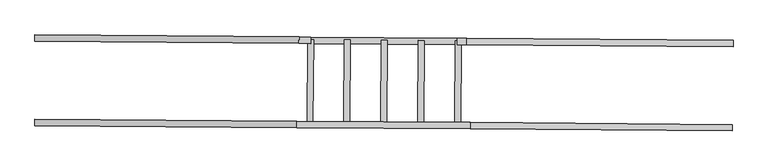
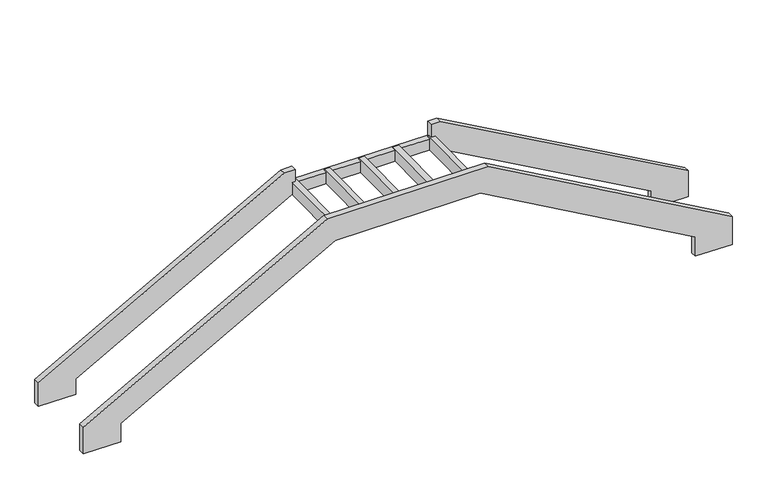
"""IFC4 building model written with IfcOpenShell, lengths in millimetres: stair geometry."""

from ifc_helpers import new_model, si_unit, origin, place, context, project, spatial, faceted_brep, source, transform, mapped, element, save


def stair_6308c3d4(model_context):
    return source(origin(), model_context, "Body", "Brep", [
        faceted_brep([(69623.2479091, 100501.2950134, -2216.2897676), (73192.6319807, 100473.2438883, -211.1765302), (75609.7724936, 100454.2480308, -211.1765302), (79189.3794997, 100426.1165655, -2220.8199379), (79189.3794997, 100426.1165655, -2563.2639797), (79801.9308639, 100421.3026383, -2563.2639797), (79801.9308639, 100421.3026383, -2068.7780833), (75745.1385671, 100453.184214, 208.7640832), (73060.9467117, 100474.2787783, 208.7640832), (69003.6463538, 100506.1643468, -2070.4377322), (69003.6463538, 100506.1643468, -2544.9395685), (69623.2479091, 100501.2950134, -2544.9395685), (69624.0353072, 100601.4880158, -2216.2897676), (69624.0353072, 100601.4880158, -2544.9395685), (69004.4337519, 100606.3573491, -2544.9395685), (69004.4337519, 100606.3573491, -2070.4377322), (73061.7341098, 100574.4717806, 208.7640832), (75745.9259653, 100553.3772164, 208.7640832), (79802.7182621, 100521.4956406, -2068.7780833), (79802.7182621, 100521.4956406, -2563.2639797), (79190.1668978, 100526.3095678, -2563.2639797), (79190.1668978, 100526.3095678, -2220.8199379), (75610.5598917, 100554.4410331, -211.1765302), (73193.4193789, 100573.4368906, -211.1765302), (73222.0208215, 100573.2121172, -203.9867204), (73310.5449571, 100572.5164225, -203.9867204), (73310.5449571, 100572.5164225, 10.875), (73222.0208215, 100573.2121172, 10.875), (73785.204211, 100568.7861637, -203.9867204), (73880.1742215, 100568.0398121, -203.9867204), (73880.1742215, 100568.0398121, 10.875), (73785.204211, 100568.7861637, 10.875), (74356.9648375, 100564.2928034, -203.9867204), (74451.934848, 100563.5464517, -203.9867204), (74451.934848, 100563.5464517, 10.875), (74356.9648375, 100564.2928034, 10.875), (74930.0032145, 100559.7894014, -203.9867204), (75024.973225, 100559.0430498, -203.9867204), (75024.973225, 100559.0430498, 10.875), (74930.0032145, 100559.7894014, 10.875), (75505.65266, 100555.2654796, -203.9867204), (75597.6903833, 100554.5421722, -203.9867204), (75597.6903833, 100554.5421722, 10.875), (75505.65266, 100555.2654796, 10.875), (69623.4864458, 101804.0814535, -2223.2944506), (73214.2405447, 101775.8623853, -206.1765302), (75608.5418824, 101757.0460166, -206.1765302), (79207.5225133, 101728.7622976, -2207.1832076), (79207.5225133, 101728.7622976, -2513.5005751), (79817.1689375, 101723.9711998, -2513.5005751), (79817.1689375, 101723.9711998, -2059.2244838), (75693.0340548, 101756.3820084, 233.7640832), (75542.1718454, 101757.5676064, 233.7640832), (75542.1718454, 101757.5676064, 10.875), (75607.1407238, 101757.0570281, 10.875), (75607.1407238, 101757.0570281, -203.9867204), (75515.1030004, 101757.7803354, -203.9867204), (75515.1030004, 101757.7803354, -9.125), (75034.4235655, 101761.5579056, -9.125), (75034.4235655, 101761.5579056, -203.9867204), (74939.453555, 101762.3042573, -203.9867204), (74939.453555, 101762.3042573, -9.125), (74461.3851885, 101766.0613076, -9.125), (74461.3851885, 101766.0613076, -203.9867204), (74366.415178, 101766.8076592, -203.9867204), (74366.415178, 101766.8076592, -9.125), (73889.624562, 101770.554668, -9.125), (73889.624562, 101770.554668, -203.9867204), (73794.6545515, 101771.3010196, -203.9867204), (73794.6545515, 101771.3010196, -9.125), (73319.9952976, 101775.0312784, -9.125), (73319.9952976, 101775.0312784, -203.9867204), (73231.471162, 101775.7269731, -203.9867204), (73231.471162, 101775.7269731, 10.875), (73275.9999399, 101775.3770297, 10.875), (73275.9999399, 101775.3770297, 218.7640832), (73093.696538, 101776.8097182, 218.7640832), (69003.8848906, 101808.9507868, -2078.701056), (69003.8848906, 101808.9507868, -2494.9395685), (69623.4864458, 101804.0814535, -2494.9395685), (69624.273844, 101904.2744559, -2223.2944506), (69624.273844, 101904.2744559, -2494.9395685), (69004.6722887, 101909.1437892, -2494.9395685), (69004.6722887, 101909.1437892, -2078.701056), (73094.4839362, 101877.0027205, 218.7640832), (73276.7873381, 101875.570032, 218.7640832), (73276.7873381, 101875.570032, -9.125), (75542.9592436, 101857.7606087, -9.125), (75542.9592436, 101857.7606087, 233.7640832), (75693.8214529, 101856.5750107, 233.7640832), (79817.9563356, 101824.1642022, -2059.2244838), (79817.9563356, 101824.1642022, -2513.5005751), (79208.3099114, 101828.9552999, -2513.5005751), (79208.3099114, 101828.9552999, -2207.1832076), (75609.3292806, 101857.239019, -206.1765302), (73215.0279429, 101876.0553876, -206.1765302), (75542.6484878, 101818.2182845, -9.125), (75542.6484878, 101818.2182845, 10.875), (73276.4765823, 101836.0277078, -9.125), (73320.47194, 101835.6819565, -9.125), (73795.1311939, 101831.9516977, -9.125), (73890.1012044, 101831.2053461, -9.125), (74366.8918204, 101827.4583374, -9.125), (74461.8618309, 101826.7119857, -9.125), (74939.9301974, 101822.9549354, -9.125), (75034.9002079, 101822.2085838, -9.125), (75515.5796428, 101818.4310135, -9.125), (73276.4765823, 101836.0277078, 10.875), (73795.1311939, 101831.9516977, 10.875), (73890.1012044, 101831.2053461, 10.875), (74366.8918204, 101827.4583374, 10.875), (74461.8618309, 101826.7119857, 10.875), (74939.9301974, 101822.9549354, 10.875), (75034.9002079, 101822.2085838, 10.875), (73320.47194, 101835.6819565, 10.875), (75515.5796428, 101818.4310135, 10.875)], [[[0, 1, 2, 3, 4, 5, 6, 7, 8, 9, 10, 11]], [[12, 13, 14, 15, 16, 17, 18, 19, 20, 21, 22, 23], [24, 25, 26, 27], [28, 29, 30, 31], [32, 33, 34, 35], [36, 37, 38, 39], [40, 41, 42, 43]], [[1, 0, 12, 23]], [[2, 1, 23, 22]], [[3, 2, 22, 21]], [[4, 3, 21, 20]], [[5, 4, 20, 19]], [[6, 5, 19, 18]], [[7, 6, 18, 17]], [[8, 7, 17, 16]], [[9, 8, 16, 15]], [[10, 9, 15, 14]], [[11, 10, 14, 13]], [[0, 11, 13, 12]], [[44, 45, 46, 47, 48, 49, 50, 51, 52, 53, 54, 55, 56, 57, 58, 59, 60, 61, 62, 63, 64, 65, 66, 67, 68, 69, 70, 71, 72, 73, 74, 75, 76, 77, 78, 79]], [[80, 81, 82, 83, 84, 85, 86, 87, 88, 89, 90, 91, 92, 93, 94, 95]], [[45, 44, 80, 95]], [[46, 45, 95, 94]], [[47, 46, 94, 93]], [[48, 47, 93, 92]], [[49, 48, 92, 91]], [[50, 49, 91, 90]], [[51, 50, 90, 89]], [[52, 51, 89, 88]], [[77, 76, 84, 83]], [[78, 77, 83, 82]], [[79, 78, 82, 81]], [[44, 79, 81, 80]], [[88, 87, 96, 97, 53, 52]], [[87, 86, 98, 99, 70, 69, 100, 101, 66, 65, 102, 103, 62, 61, 104, 105, 58, 57, 106, 96]], [[86, 85, 75, 74, 107, 98]], [[76, 75, 85, 84]], [[108, 109, 101, 100]], [[110, 111, 103, 102]], [[112, 113, 105, 104]], [[107, 114, 99, 98]], [[106, 115, 97, 96]], [[25, 24, 72, 71]], [[114, 26, 25, 71, 70, 99]], [[26, 114, 107, 74, 73, 27]], [[24, 27, 73, 72]], [[29, 28, 68, 67]], [[109, 30, 29, 67, 66, 101]], [[109, 108, 31, 30]], [[31, 108, 100, 69, 68, 28]], [[33, 32, 64, 63]], [[111, 34, 33, 63, 62, 103]], [[111, 110, 35, 34]], [[35, 110, 102, 65, 64, 32]], [[37, 36, 60, 59]], [[113, 38, 37, 59, 58, 105]], [[113, 112, 39, 38]], [[39, 112, 104, 61, 60, 36]], [[41, 40, 56, 55]], [[42, 41, 55, 54]], [[115, 43, 42, 54, 53, 97]], [[43, 115, 106, 57, 56, 40]]]),
    ])


if __name__ == "__main__":
    model = new_model("IFC4")
    model_context = context("Model", 3, world=origin())
    ifc_project = project(units=[si_unit("LENGTHUNIT", "METRE", prefix="MILLI")], contexts=[model_context])
    site = spatial("IfcSite", under=ifc_project)
    building = spatial("IfcBuilding", under=site)
    placement = place(None, origin())
    stair_shape = stair_6308c3d4(model_context)
    element("IfcStair", 1, at=placement, inside=building, context=model_context, shape_type="MappedRepresentation", body=[
        mapped(stair_shape, transform((0.0, 0.0, 0.0), x_axis=(1.0, 0.0, 0.0), y_axis=(0.0, 1.0, 0.0), z_axis=(0.0, 0.0, 1.0))),
    ])
    save(model, "model.ifc")
